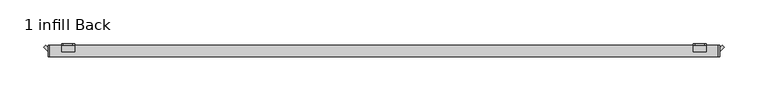
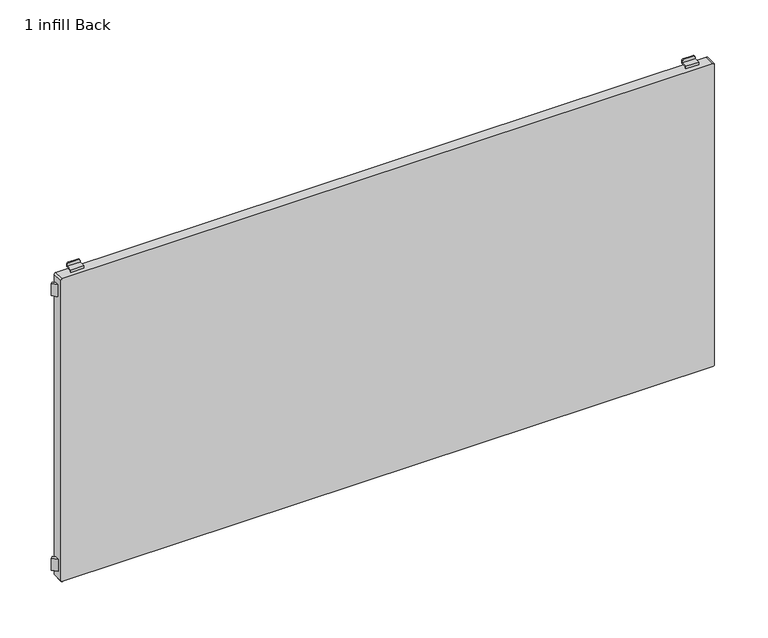
"""IFC4 building model written with IfcOpenShell, lengths in millimetres: furniture geometry, 1 infill Back."""

from ifc_helpers import new_model, si_unit, point, frame, frame_2d, origin, place, context, project, spatial, polyline, circle_curve, trimmed, segment, composite_curve, outline, extrude, source, transform, mapped, element, save
from ifc_brep_helpers import plane_surface, cylinder_surface, advanced_brep


def furniture_1_infill_back_68ec337f(model_context):
    return source(origin(), model_context, "Body", "SolidModel", [
        advanced_brep(
        [(352.5, 197.0, 515.5), (354.5, 197.0, 513.5), (365.5, 197.0, 513.5), (367.5, 197.0, 515.5), (367.5, 197.0, 517.0), (352.5, 197.0, 517.0), (352.5, 198.5, 518.5), (367.5, 198.5, 518.5), (367.5, 198.5, 515.5), (365.5, 198.5, 513.5), (354.5, 198.5, 513.5), (352.5, 198.5, 515.5), (352.5, 189.5011497, 517.0), (352.5, 189.5011497, 520.0), (352.5, 191.0011497, 520.0), (352.5, 191.0011497, 518.5), (367.5, 191.0011497, 518.5), (367.5, 191.0011497, 520.0), (367.5, 189.5011497, 520.0), (367.5, 189.5011497, 517.0)],
        [
            (0, 1, circle_curve(frame((354.5, 197.0, 515.5), z_axis=(0.0, -1.0, 0.0), x_axis=(1.0, 0.0, 0.0)), 2.0)),
            (1, 2),
            (2, 3, circle_curve(frame((365.5, 197.0, 515.5), z_axis=(0.0, -1.0, 0.0), x_axis=(1.0, 0.0, 0.0)), 2.0)),
            (3, 4),
            (4, 5),
            (5, 0),
            (6, 7),
            (7, 8),
            (8, 9, circle_curve(frame((365.5, 198.5, 515.5), z_axis=(0.0, 1.0, 0.0), x_axis=(1.0, 0.0, 0.0)), 2.0)),
            (9, 10),
            (10, 11, circle_curve(frame((354.5, 198.5, 515.5), z_axis=(0.0, 1.0, 0.0), x_axis=(1.0, 0.0, 0.0)), 2.0)),
            (11, 6),
            (11, 0),
            (5, 12),
            (12, 13),
            (13, 14),
            (14, 15),
            (15, 6),
            (10, 1),
            (9, 2),
            (8, 3),
            (7, 16),
            (16, 17),
            (17, 18),
            (18, 19),
            (19, 4),
            (15, 16),
            (12, 19),
            (18, 13),
            (17, 14),
        ],
        [
            plane_surface(frame((352.5, 197.0, 517.0), z_axis=(0.0, -1.0, 0.0), x_axis=(0.0, 0.0, -1.0))),
            plane_surface(frame((352.5, 198.5, 517.0), z_axis=(0.0, 1.0, 0.0), x_axis=(0.0, 0.0, 1.0))),
            plane_surface(frame((352.5, 197.0, 518.5), z_axis=(-1.0, 0.0, 0.0), x_axis=(0.0, 1.0, 0.0))),
            cylinder_surface(frame((354.5, 198.5, 515.5), z_axis=(0.0, -1.0, 0.0), x_axis=(1.0, 0.0, 0.0)), 2.0),
            plane_surface(frame((354.5, 197.0, 513.5), z_axis=(0.0, 0.0, -1.0), x_axis=(0.0, 1.0, 0.0))),
            cylinder_surface(frame((365.5, 198.5, 515.5), z_axis=(0.0, -1.0, 0.0), x_axis=(1.0, 0.0, 0.0)), 2.0),
            plane_surface(frame((367.5, 197.0, 515.5), z_axis=(1.0, 0.0, 0.0), x_axis=(0.0, 1.0, 0.0))),
            plane_surface(frame((367.5, 197.0, 518.5), z_axis=(0.0, 0.0, 1.0), x_axis=(0.0, 1.0, 0.0))),
            plane_surface(frame((352.5, 189.5011497, 517.0), z_axis=(0.0, -1.0, 0.0), x_axis=(1.0, 0.0, 0.0))),
            plane_surface(frame((352.5, 189.5011497, 520.0), z_axis=(0.0, 0.0, 1.0), x_axis=(1.0, 0.0, 0.0))),
            plane_surface(frame((352.5, 191.0011497, 520.0), z_axis=(0.0, 1.0, 0.0), x_axis=(1.0, 0.0, 0.0))),
            plane_surface(frame((352.5, 197.0, 517.0), z_axis=(0.0, 0.0, -1.0), x_axis=(1.0, 0.0, 0.0))),
        ],
        [
            (0, [[1, 2, 3, 4, 5, 6]]),
            (1, [[7, 8, 9, 10, 11, 12]]),
            (2, [[-12, 13, -6, 14, 15, 16, 17, 18]]),
            (3, [[-1, -13, -11, 19]]),
            (4, [[-2, -19, -10, 20]]),
            (5, [[-3, -20, -9, 21]]),
            (6, [[-8, 22, 23, 24, 25, 26, -4, -21]]),
            (7, [[-22, -7, -18, 27]]),
            (8, [[-15, 28, -25, 29]]),
            (9, [[-16, -29, -24, 30]]),
            (10, [[-17, -30, -23, -27]]),
            (11, [[-14, -5, -26, -28]]),
        ],
    ),
        advanced_brep(
        [(-367.5, 197.0, 515.5), (-365.5, 197.0, 513.5), (-354.5, 197.0, 513.5), (-352.5, 197.0, 515.5), (-352.5, 197.0, 517.0), (-367.5, 197.0, 517.0), (-352.5, 198.5, 518.5), (-352.5, 198.5, 515.5), (-354.5, 198.5, 513.5), (-365.5, 198.5, 513.5), (-367.5, 198.5, 515.5), (-367.5, 198.5, 518.5), (-367.5, 191.0011497, 518.5), (-352.5, 191.0011497, 518.5), (-367.5, 189.5011497, 517.0), (-367.5, 189.5011497, 520.0), (-367.5, 191.0011497, 520.0), (-352.5, 191.0011497, 520.0), (-352.5, 189.5011497, 520.0), (-352.5, 189.5011497, 517.0)],
        [
            (0, 1, circle_curve(frame((-365.5, 197.0, 515.5), z_axis=(0.0, -1.0, 0.0), x_axis=(1.0, 0.0, 0.0)), 2.0)),
            (1, 2),
            (2, 3, circle_curve(frame((-354.5, 197.0, 515.5), z_axis=(0.0, -1.0, 0.0), x_axis=(1.0, 0.0, 0.0)), 2.0)),
            (3, 4),
            (4, 5),
            (5, 0),
            (6, 7),
            (7, 8, circle_curve(frame((-354.5, 198.5, 515.5), z_axis=(0.0, 1.0, 0.0), x_axis=(1.0, 0.0, 0.0)), 2.0)),
            (8, 9),
            (9, 10, circle_curve(frame((-365.5, 198.5, 515.5), z_axis=(0.0, 1.0, 0.0), x_axis=(1.0, 0.0, 0.0)), 2.0)),
            (10, 11),
            (11, 6),
            (11, 12),
            (12, 13),
            (13, 6),
            (10, 0),
            (5, 14),
            (14, 15),
            (15, 16),
            (16, 12),
            (9, 1),
            (8, 2),
            (7, 3),
            (13, 17),
            (17, 18),
            (18, 19),
            (19, 4),
            (18, 15),
            (14, 19),
            (17, 16),
        ],
        [
            plane_surface(frame((352.5, 197.0, 517.0), z_axis=(0.0, -1.0, 0.0), x_axis=(0.0, 0.0, -1.0))),
            plane_surface(frame((352.5, 198.5, 517.0), z_axis=(0.0, 1.0, 0.0), x_axis=(0.0, 0.0, 1.0))),
            plane_surface(frame((-352.5, 197.0, 518.5), z_axis=(0.0, 0.0, 1.0), x_axis=(0.0, 1.0, 0.0))),
            plane_surface(frame((-367.5, 197.0, 518.5), z_axis=(-1.0, 0.0, 0.0), x_axis=(0.0, 1.0, 0.0))),
            cylinder_surface(frame((-365.5, 200.0, 515.5), z_axis=(0.0, -1.0, 0.0), x_axis=(1.0, 0.0, 0.0)), 2.0),
            plane_surface(frame((-365.5, 197.0, 513.5), z_axis=(0.0, 0.0, -1.0), x_axis=(0.0, 1.0, 0.0))),
            cylinder_surface(frame((-354.5, 200.0, 515.5), z_axis=(0.0, -1.0, 0.0), x_axis=(1.0, 0.0, 0.0)), 2.0),
            plane_surface(frame((-352.5, 197.0, 515.5), z_axis=(1.0, 0.0, 0.0), x_axis=(0.0, 1.0, 0.0))),
            plane_surface(frame((-352.5, 189.5011497, 520.0), z_axis=(0.0, -1.0, 0.0), x_axis=(-1.0, 0.0, 0.0))),
            plane_surface(frame((-352.5, 191.0011497, 520.0), z_axis=(0.0, 0.0, 1.0), x_axis=(-1.0, 0.0, 0.0))),
            plane_surface(frame((-352.5, 191.0011497, 518.5), z_axis=(0.0, 1.0, 0.0), x_axis=(-1.0, 0.0, 0.0))),
            plane_surface(frame((-352.5, 189.5011497, 517.0), z_axis=(0.0, 0.0, -1.0), x_axis=(-1.0, 0.0, 0.0))),
        ],
        [
            (0, [[1, 2, 3, 4, 5, 6]]),
            (1, [[7, 8, 9, 10, 11, 12]]),
            (2, [[-12, 13, 14, 15]]),
            (3, [[-11, 16, -6, 17, 18, 19, 20, -13]]),
            (4, [[-1, -16, -10, 21]]),
            (5, [[-2, -21, -9, 22]]),
            (6, [[-3, -22, -8, 23]]),
            (7, [[-7, -15, 24, 25, 26, 27, -4, -23]]),
            (8, [[-26, 28, -18, 29]]),
            (9, [[-25, 30, -19, -28]]),
            (10, [[-24, -14, -20, -30]]),
            (11, [[-27, -29, -17, -5]]),
        ],
    ),
        advanced_brep(
        [(367.5, 197.0, 899.5), (365.5, 197.0, 901.5), (354.5, 197.0, 901.5), (352.5, 197.0, 899.5), (352.5, 197.0, 898.0), (367.5, 197.0, 898.0), (352.5, 198.5, 896.5), (352.5, 198.5, 899.5), (354.5, 198.5, 901.5), (365.5, 198.5, 901.5), (367.5, 198.5, 899.5), (367.5, 198.5, 896.5), (352.5, 189.5011497, 898.0), (352.5, 191.0011497, 896.5), (352.5, 191.0011497, 895.0), (352.5, 189.5011497, 895.0), (367.5, 189.5011497, 898.0), (367.5, 189.5011497, 895.0), (367.5, 191.0011497, 895.0), (367.5, 191.0011497, 896.5)],
        [
            (0, 1, circle_curve(frame((365.5, 197.0, 899.5), z_axis=(0.0, -1.0, 0.0), x_axis=(1.0, 0.0, 0.0)), 2.0)),
            (1, 2),
            (2, 3, circle_curve(frame((354.5, 197.0, 899.5), z_axis=(0.0, -1.0, 0.0), x_axis=(1.0, 0.0, 0.0)), 2.0)),
            (3, 4),
            (4, 5),
            (5, 0),
            (6, 7),
            (7, 8, circle_curve(frame((354.5, 198.5, 899.5), z_axis=(0.0, 1.0, 0.0), x_axis=(1.0, 0.0, 0.0)), 2.0)),
            (8, 9),
            (9, 10, circle_curve(frame((365.5, 198.5, 899.5), z_axis=(0.0, 1.0, 0.0), x_axis=(1.0, 0.0, 0.0)), 2.0)),
            (10, 11),
            (11, 6),
            (12, 4),
            (3, 7),
            (6, 13),
            (13, 14),
            (14, 15),
            (15, 12),
            (16, 17),
            (17, 18),
            (18, 19),
            (19, 11),
            (10, 0),
            (5, 16),
            (19, 13),
            (9, 1),
            (8, 2),
            (12, 16),
            (18, 14),
            (17, 15),
        ],
        [
            plane_surface(frame((352.5, 197.0, 517.0), z_axis=(0.0, -1.0, 0.0), x_axis=(0.0, 0.0, -1.0))),
            plane_surface(frame((352.5, 198.5, 517.0), z_axis=(0.0, 1.0, 0.0), x_axis=(0.0, 0.0, 1.0))),
            plane_surface(frame((352.5, 197.0, 518.5), z_axis=(-1.0, 0.0, 0.0), x_axis=(0.0, 1.0, 0.0))),
            plane_surface(frame((367.5, 197.0, 515.5), z_axis=(1.0, 0.0, 0.0), x_axis=(0.0, 1.0, 0.0))),
            plane_surface(frame((352.5, 197.0, 896.5), z_axis=(0.0, 0.0, -1.0), x_axis=(0.0, 1.0, 0.0))),
            cylinder_surface(frame((365.5, 200.0, 899.5), z_axis=(0.0, -1.0, 0.0), x_axis=(1.0, 0.0, 0.0)), 2.0),
            plane_surface(frame((365.5, 197.0, 901.5), z_axis=(0.0, 0.0, 1.0), x_axis=(0.0, 1.0, 0.0))),
            cylinder_surface(frame((354.5, 200.0, 899.5), z_axis=(0.0, -1.0, 0.0), x_axis=(1.0, 0.0, 0.0)), 2.0),
            plane_surface(frame((352.5, 189.5011497, 898.0), z_axis=(0.0, 0.0, 1.0), x_axis=(1.0, 0.0, 0.0))),
            plane_surface(frame((352.5, 191.0011497, 896.5), z_axis=(0.0, 1.0, 0.0), x_axis=(1.0, 0.0, 0.0))),
            plane_surface(frame((352.5, 191.0011497, 895.0), z_axis=(0.0, 0.0, -1.0), x_axis=(1.0, 0.0, 0.0))),
            plane_surface(frame((352.5, 189.5011497, 895.0), z_axis=(0.0, -1.0, 0.0), x_axis=(1.0, 0.0, 0.0))),
        ],
        [
            (0, [[1, 2, 3, 4, 5, 6]]),
            (1, [[7, 8, 9, 10, 11, 12]]),
            (2, [[13, -4, 14, -7, 15, 16, 17, 18]]),
            (3, [[19, 20, 21, 22, -11, 23, -6, 24]]),
            (4, [[-15, -12, -22, 25]]),
            (5, [[-1, -23, -10, 26]]),
            (6, [[-2, -26, -9, 27]]),
            (7, [[-3, -27, -8, -14]]),
            (8, [[-13, 28, -24, -5]]),
            (9, [[-16, -25, -21, 29]]),
            (10, [[-17, -29, -20, 30]]),
            (11, [[-18, -30, -19, -28]]),
        ],
    ),
        advanced_brep(
        [(-352.5, 197.0, 899.5), (-354.5, 197.0, 901.5), (-365.5, 197.0, 901.5), (-367.5, 197.0, 899.5), (-367.5, 197.0, 898.0), (-352.5, 197.0, 898.0), (-352.5, 198.5, 896.5), (-367.5, 198.5, 896.5), (-367.5, 198.5, 899.5), (-365.5, 198.5, 901.5), (-354.5, 198.5, 901.5), (-352.5, 198.5, 899.5), (-367.5, 191.0011497, 896.5), (-367.5, 191.0011497, 895.0), (-367.5, 189.5011497, 895.0), (-367.5, 189.5011497, 898.0), (-352.5, 189.5011497, 898.0), (-352.5, 189.5011497, 895.0), (-352.5, 191.0011497, 895.0), (-352.5, 191.0011497, 896.5)],
        [
            (0, 1, circle_curve(frame((-354.5, 197.0, 899.5), z_axis=(0.0, -1.0, 0.0), x_axis=(1.0, 0.0, 0.0)), 2.0)),
            (1, 2),
            (2, 3, circle_curve(frame((-365.5, 197.0, 899.5), z_axis=(0.0, -1.0, 0.0), x_axis=(1.0, 0.0, 0.0)), 2.0)),
            (3, 4),
            (4, 5),
            (5, 0),
            (6, 7),
            (7, 8),
            (8, 9, circle_curve(frame((-365.5, 198.5, 899.5), z_axis=(0.0, 1.0, 0.0), x_axis=(1.0, 0.0, 0.0)), 2.0)),
            (9, 10),
            (10, 11, circle_curve(frame((-354.5, 198.5, 899.5), z_axis=(0.0, 1.0, 0.0), x_axis=(1.0, 0.0, 0.0)), 2.0)),
            (11, 6),
            (7, 12),
            (12, 13),
            (13, 14),
            (14, 15),
            (15, 4),
            (3, 8),
            (11, 0),
            (5, 16),
            (16, 17),
            (17, 18),
            (18, 19),
            (19, 6),
            (10, 1),
            (9, 2),
            (19, 12),
            (15, 16),
            (18, 13),
            (17, 14),
        ],
        [
            plane_surface(frame((352.5, 197.0, 517.0), z_axis=(0.0, -1.0, 0.0), x_axis=(0.0, 0.0, -1.0))),
            plane_surface(frame((352.5, 198.5, 517.0), z_axis=(0.0, 1.0, 0.0), x_axis=(0.0, 0.0, 1.0))),
            plane_surface(frame((-367.5, 197.0, 518.5), z_axis=(-1.0, 0.0, 0.0), x_axis=(0.0, 1.0, 0.0))),
            plane_surface(frame((-352.5, 197.0, 515.5), z_axis=(1.0, 0.0, 0.0), x_axis=(0.0, 1.0, 0.0))),
            cylinder_surface(frame((-354.5, 200.0, 899.5), z_axis=(0.0, -1.0, 0.0), x_axis=(1.0, 0.0, 0.0)), 2.0),
            plane_surface(frame((-354.5, 197.0, 901.5), z_axis=(0.0, 0.0, 1.0), x_axis=(0.0, 1.0, 0.0))),
            cylinder_surface(frame((-365.5, 200.0, 899.5), z_axis=(0.0, -1.0, 0.0), x_axis=(1.0, 0.0, 0.0)), 2.0),
            plane_surface(frame((-367.5, 197.0, 896.5), z_axis=(0.0, 0.0, -1.0), x_axis=(0.0, 1.0, 0.0))),
            plane_surface(frame((-352.5, 197.0, 898.0), z_axis=(0.0, 0.0, 1.0), x_axis=(-1.0, 0.0, 0.0))),
            plane_surface(frame((-352.5, 191.0011497, 895.0), z_axis=(0.0, 1.0, 0.0), x_axis=(-1.0, 0.0, 0.0))),
            plane_surface(frame((-352.5, 189.5011497, 895.0), z_axis=(0.0, 0.0, -1.0), x_axis=(-1.0, 0.0, 0.0))),
            plane_surface(frame((-352.5, 189.5011497, 898.0), z_axis=(0.0, -1.0, 0.0), x_axis=(-1.0, 0.0, 0.0))),
        ],
        [
            (0, [[1, 2, 3, 4, 5, 6]]),
            (1, [[7, 8, 9, 10, 11, 12]]),
            (2, [[-8, 13, 14, 15, 16, 17, -4, 18]]),
            (3, [[-12, 19, -6, 20, 21, 22, 23, 24]]),
            (4, [[-1, -19, -11, 25]]),
            (5, [[-2, -25, -10, 26]]),
            (6, [[-3, -26, -9, -18]]),
            (7, [[-7, -24, 27, -13]]),
            (8, [[-20, -5, -17, 28]]),
            (9, [[-23, 29, -14, -27]]),
            (10, [[-22, 30, -15, -29]]),
            (11, [[-21, -28, -16, -30]]),
        ],
    ),
        extrude(outline(polyline([(-385.3223305, 197.0), (-382.5, 194.1776695), (-382.5, 189.5011497), (-387.6605904, 194.6617401), (-385.3223305, 197.0)])), frame((0.0, 0.0, 530.0), z_axis=(0.0, 0.0, 1.0), x_axis=(1.0, 0.0, 0.0)), (0.0, 0.0, 1.0), 15.0),
        extrude(outline(polyline([(385.3223305, 197.0), (387.6605904, 194.6617401), (382.5, 189.5011497), (382.5, 194.1776695), (385.3223305, 197.0)])), frame((0.0, 0.0, 530.0), z_axis=(0.0, 0.0, 1.0), x_axis=(1.0, 0.0, 0.0)), (0.0, 0.0, 1.0), 15.0),
        extrude(outline(composite_curve([segment(trimmed(circle_curve(frame_2d((893.2, 380.7)), 1.8), [point((893.2, 382.5))], [point((895.0, 380.7))], False, "CARTESIAN"), True, "CONTINUOUS"), segment(polyline([(895.0, 380.7), (895.0, -380.7)]), True, "CONTINUOUS"), segment(trimmed(circle_curve(frame_2d((893.2, -380.7)), 1.8), [point((895.0, -380.7))], [point((893.2, -382.5))], False, "CARTESIAN"), True, "CONTINUOUS"), segment(polyline([(893.2, -382.5), (521.8, -382.5)]), True, "CONTINUOUS"), segment(trimmed(circle_curve(frame_2d((521.8, -380.7)), 1.8), [point((521.8, -382.5))], [point((520.0, -380.7))], False, "CARTESIAN"), True, "CONTINUOUS"), segment(polyline([(520.0, -380.7), (520.0, 380.7)]), True, "CONTINUOUS"), segment(trimmed(circle_curve(frame_2d((521.8, 380.7)), 1.8), [point((520.0, 380.7))], [point((521.8, 382.5))], False, "CARTESIAN"), True, "CONTINUOUS"), segment(polyline([(521.8, 382.5), (893.2, 382.5)]), True, "CONTINUOUS")], self_intersect=False)), frame((0.0, 183.999795, 0.0), z_axis=(0.0, 1.0, 0.0), x_axis=(0.0, 0.0, 1.0)), (0.0, 0.0, 1.0), 13.000205),
        extrude(outline(polyline([(-385.3223305, 197.0), (-382.5, 194.1776695), (-382.5, 189.5011497), (-387.6605904, 194.6617401), (-385.3223305, 197.0)])), frame((0.0, 0.0, 870.0), z_axis=(0.0, 0.0, 1.0), x_axis=(1.0, 0.0, 0.0)), (0.0, 0.0, 1.0), 15.0),
        extrude(outline(polyline([(385.3223305, 197.0), (387.6605904, 194.6617401), (382.5, 189.5011497), (382.5, 194.1776695), (385.3223305, 197.0)])), frame((0.0, 0.0, 870.0), z_axis=(0.0, 0.0, 1.0), x_axis=(1.0, 0.0, 0.0)), (0.0, 0.0, 1.0), 15.0),
    ])


if __name__ == "__main__":
    model = new_model("IFC4")
    model_context = context("Model", 3, world=origin())
    ifc_project = project(units=[si_unit("LENGTHUNIT", "METRE", prefix="MILLI")], contexts=[model_context])
    site = spatial("IfcSite", under=ifc_project)
    building = spatial("IfcBuilding", under=site)
    placement = place(None, origin())
    furniture_1_infill_back_shape = furniture_1_infill_back_68ec337f(model_context)
    element("IfcFurniture", 1, ObjectType="1 infill Back", at=placement, inside=building, context=model_context, shape_type="MappedRepresentation", body=[
        mapped(furniture_1_infill_back_shape, transform((0.0, 0.0, 0.0), x_axis=(1.0, 0.0, 0.0), y_axis=(0.0, 1.0, 0.0), z_axis=(0.0, 0.0, 1.0))),
    ])
    save(model, "model.ifc")
